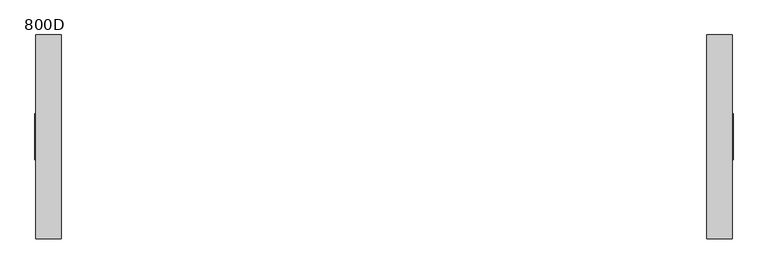
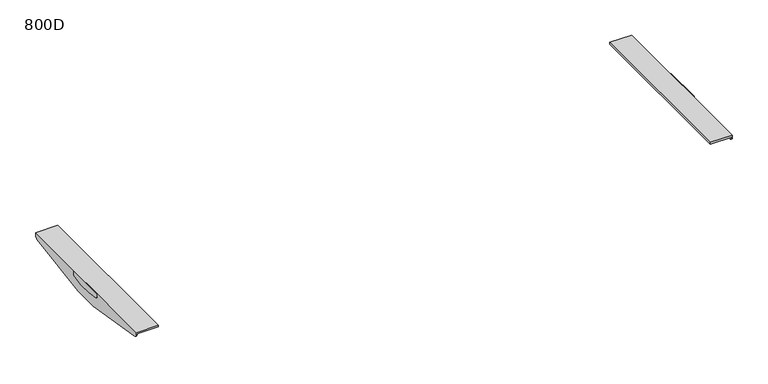
"""IFC4 building model written with IfcOpenShell, lengths in millimetres: furniture geometry, 800D."""

from ifc_helpers import new_model, si_unit, point, frame, frame_2d, origin, place, context, project, spatial, polyline, circle_curve, trimmed, segment, composite_curve, outline, extrude, source, transform, mapped, element, save
from ifc_brep_helpers import plane_surface, cylinder_surface, advanced_brep


def furniture_800d_128cd26d(model_context):
    return source(origin(), model_context, "Body", "SolidModel", [
        advanced_brep(
        [(983.0000006, 287.4963324, 716.0), (983.0000006, 287.4963324, 708.4998128), (980.0000009, 287.4963324, 708.4998128), (980.0000009, 287.4963324, 710.4999723), (910.0000017, 287.4963324, 710.4999723), (910.0000017, 287.4963324, 716.0), (980.0000009, -287.5036993, 710.4999723), (980.0000009, -287.5036993, 708.4997591), (983.0000006, -287.5036993, 708.4997591), (983.0000006, -287.5036993, 716.0), (910.0000017, -287.5036993, 716.0), (910.0000017, -287.5036993, 710.4999723), (980.0000009, 279.1076002, 698.6304207), (980.0000009, 42.4967459, 660.0), (980.0000009, -42.5041219, 660.0), (980.0000009, -279.1150126, 698.6304207), (983.0000006, -279.1150126, 698.6304207), (983.0000006, -42.5041219, 660.0), (983.0000006, 42.4967459, 660.0), (983.0000006, 279.1076002, 698.6304207)],
        [
            (0, 1),
            (1, 2),
            (2, 3),
            (3, 4),
            (4, 5),
            (5, 0),
            (6, 7),
            (7, 8),
            (8, 9),
            (9, 10),
            (10, 11),
            (11, 6),
            (2, 12, circle_curve(frame((980.0000009, 277.4962677, 708.4998128), z_axis=(-1.0, 0.0, 0.0), x_axis=(0.0, -1.0, 0.0)), 10.0000647)),
            (12, 13),
            (13, 14),
            (14, 15),
            (15, 7, circle_curve(frame((980.0000009, -277.503689, 708.4997591), z_axis=(-1.0, 0.0, 0.0), x_axis=(0.0, -1.0, 0.0)), 10.0000103)),
            (6, 3),
            (11, 4),
            (10, 5),
            (9, 0),
            (8, 16, circle_curve(frame((983.0000006, -277.503689, 708.4997591), z_axis=(1.0, 0.0, 0.0), x_axis=(0.0, -1.0, 0.0)), 10.0000103)),
            (16, 17),
            (17, 18),
            (18, 19),
            (19, 1, circle_curve(frame((983.0000006, 277.4962677, 708.4998128), z_axis=(1.0, 0.0, 0.0), x_axis=(0.0, -1.0, 0.0)), 10.0000647)),
            (17, 14),
            (13, 18),
            (16, 15),
            (12, 19),
        ],
        [
            plane_surface(frame((983.0000006, 287.4963324, 660.0), z_axis=(0.0, 1.0, 0.0), x_axis=(1.0, 0.0, 0.0))),
            plane_surface(frame((983.0000006, -287.5036993, 660.0), z_axis=(0.0, -1.0, 0.0), x_axis=(-1.0, 0.0, 0.0))),
            plane_surface(frame((980.0000009, 287.4963324, 710.4999723), z_axis=(-1.0, 0.0, 0.0), x_axis=(0.0, -1.0, 0.0))),
            plane_surface(frame((910.0000017, 287.4963324, 710.4999723), z_axis=(0.0, 0.0, -1.0), x_axis=(0.0, -1.0, 0.0))),
            plane_surface(frame((910.0000017, 287.4963324, 716.0), z_axis=(-1.0, 0.0, 0.0), x_axis=(0.0, -1.0, 0.0))),
            plane_surface(frame((983.0000006, 287.4963324, 716.0), z_axis=(0.0, 0.0, 1.0), x_axis=(0.0, -1.0, 0.0))),
            plane_surface(frame((983.0000006, 287.4963324, 660.0), z_axis=(1.0, 0.0, 0.0), x_axis=(0.0, -1.0, 0.0))),
            plane_surface(frame((980.0000009, 287.4963324, 660.0), z_axis=(0.0, 0.0, -1.0), x_axis=(0.0, -1.0, 0.0))),
            plane_surface(frame((910.0000017, -42.5041219, 660.0), z_axis=(0.0, -0.16113218812194072, -0.9869328335560813), x_axis=(1.0, 0.0, 0.0))),
            cylinder_surface(frame((985.0, -277.503689, 708.4997591), z_axis=(1.0, 0.0, 0.0), x_axis=(0.0, -1.0, 0.0)), 10.0000103),
            plane_surface(frame((910.0000017, 279.1076002, 698.6304207), z_axis=(0.0, 0.16113221222328436, -0.9869328296211605), x_axis=(1.0, 0.0, 0.0))),
            cylinder_surface(frame((1200.0, 277.4962677, 708.4998128), z_axis=(1.0, 0.0, 0.0), x_axis=(0.0, -1.0, 0.0)), 10.0000647),
        ],
        [
            (0, [[1, 2, 3, 4, 5, 6]]),
            (1, [[7, 8, 9, 10, 11, 12]]),
            (2, [[-3, 13, 14, 15, 16, 17, -7, 18]]),
            (3, [[-18, -12, 19, -4]]),
            (4, [[-19, -11, 20, -5]]),
            (5, [[-20, -10, 21, -6]]),
            (6, [[-9, 22, 23, 24, 25, 26, -1, -21]]),
            (7, [[27, -15, 28, -24]]),
            (8, [[-16, -27, -23, 29]]),
            (9, [[-22, -8, -17, -29]]),
            (10, [[-25, -28, -14, 30]]),
            (11, [[-13, -2, -26, -30]]),
        ],
    ),
        extrude(outline(composite_curve([segment(polyline([(64.9962871, 716.0), (64.9962871, 705.7477915)]), True, "CONTINUOUS"), segment(trimmed(circle_curve(frame_2d((59.996269, 705.7477915)), 5.0000181), [point((64.9962871, 705.7477915))], [point((60.8043191, 700.8134996))], False, "CARTESIAN"), True, "CONTINUOUS"), segment(polyline([(60.8043191, 700.8134996), (21.9956935, 694.5405645), (-22.2562903, 694.5405645), (-60.8052275, 700.8531775)]), True, "CONTINUOUS"), segment(trimmed(circle_curve(frame_2d((-60.0513722, 705.7477915)), 4.9523271), [point((-60.8052275, 700.8531775))], [point((-65.0036994, 705.7477915))], False, "CARTESIAN"), True, "CONTINUOUS"), segment(polyline([(-65.0036994, 705.7477915), (-65.0036994, 716.0), (64.9962871, 716.0)]), True, "CONTINUOUS")], self_intersect=False)), frame((983.0000006, 0.0, 0.0), z_axis=(1.0, 0.0, 0.0), x_axis=(0.0, 1.0, 0.0)), (0.0, 0.0, 1.0), 1.9999994),
        advanced_brep(
        [(-980.0000009, 287.4963324, 710.4999723), (-980.0000009, 287.4963324, 708.4998128), (-983.0000006, 287.4963324, 708.4998128), (-983.0000006, 287.4963324, 716.0), (-910.0000017, 287.4963324, 716.0), (-910.0000017, 287.4963324, 710.4999723), (-983.0000006, -287.5036993, 716.0), (-983.0000006, -287.5036993, 708.4997591), (-980.0000009, -287.5036993, 708.4997591), (-980.0000009, -287.5036993, 710.4999723), (-910.0000017, -287.5036993, 710.4999723), (-910.0000017, -287.5036993, 716.0), (-980.0000009, -279.1150126, 698.6304207), (-980.0000009, -42.5041219, 660.0), (-980.0000009, 42.4967459, 660.0), (-980.0000009, 279.1076002, 698.6304207), (-983.0000006, 279.1076002, 698.6304207), (-983.0000006, 42.4967459, 660.0), (-983.0000006, -42.5041219, 660.0), (-983.0000006, -279.1150126, 698.6304207)],
        [
            (0, 1),
            (1, 2),
            (2, 3),
            (3, 4),
            (4, 5),
            (5, 0),
            (6, 7),
            (7, 8),
            (8, 9),
            (9, 10),
            (10, 11),
            (11, 6),
            (8, 12, circle_curve(frame((-980.0000009, -277.503689, 708.4997591), z_axis=(1.0, 0.0, 0.0), x_axis=(0.0, -1.0, 0.0)), 10.0000103)),
            (12, 13),
            (13, 14),
            (14, 15),
            (15, 1, circle_curve(frame((-980.0000009, 277.4962677, 708.4998128), z_axis=(1.0, 0.0, 0.0), x_axis=(0.0, -1.0, 0.0)), 10.0000647)),
            (0, 9),
            (5, 10),
            (4, 11),
            (3, 6),
            (2, 16, circle_curve(frame((-983.0000006, 277.4962677, 708.4998128), z_axis=(-1.0, 0.0, 0.0), x_axis=(0.0, -1.0, 0.0)), 10.0000647)),
            (16, 17),
            (17, 18),
            (18, 19),
            (19, 7, circle_curve(frame((-983.0000006, -277.503689, 708.4997591), z_axis=(-1.0, 0.0, 0.0), x_axis=(0.0, -1.0, 0.0)), 10.0000103)),
            (13, 18),
            (17, 14),
            (12, 19),
            (16, 15),
        ],
        [
            plane_surface(frame((-980.0000009, 287.4963324, 660.0), z_axis=(0.0, 1.0, 0.0), x_axis=(0.0, 0.0, 1.0))),
            plane_surface(frame((-980.0000009, -287.5036993, 660.0), z_axis=(0.0, -1.0, 0.0), x_axis=(0.0, 0.0, -1.0))),
            plane_surface(frame((-980.0000009, 287.4963324, 660.0), z_axis=(1.0, 0.0, 0.0), x_axis=(0.0, -1.0, 0.0))),
            plane_surface(frame((-980.0000009, 287.4963324, 710.4999723), z_axis=(0.0, 0.0, -1.0), x_axis=(0.0, -1.0, 0.0))),
            plane_surface(frame((-910.0000017, 287.4963324, 710.4999723), z_axis=(1.0, 0.0, 0.0), x_axis=(0.0, -1.0, 0.0))),
            plane_surface(frame((-910.0000017, 287.4963324, 716.0), z_axis=(0.0, 0.0, 1.0), x_axis=(0.0, -1.0, 0.0))),
            plane_surface(frame((-983.0000006, 287.4963324, 716.0), z_axis=(-1.0, 0.0, 0.0), x_axis=(0.0, -1.0, 0.0))),
            plane_surface(frame((-983.0000006, 287.4963324, 660.0), z_axis=(0.0, 0.0, -1.0), x_axis=(0.0, -1.0, 0.0))),
            plane_surface(frame((-910.0000017, -279.1150126, 698.6304207), z_axis=(0.0, -0.16113218812194124, -0.9869328335560812), x_axis=(-1.0, 0.0, 0.0))),
            cylinder_surface(frame((-983.0000006, -277.503689, 708.4997591), z_axis=(-1.0, 0.0, 0.0), x_axis=(0.0, -1.0, 0.0)), 10.0000103),
            plane_surface(frame((-910.0000017, 42.4967459, 660.0), z_axis=(0.0, 0.16113221222328436, -0.9869328296211605), x_axis=(-1.0, 0.0, 0.0))),
            cylinder_surface(frame((0.0, 277.4962677, 708.4998128), z_axis=(-1.0, 0.0, 0.0), x_axis=(0.0, -1.0, 0.0)), 10.0000647),
        ],
        [
            (0, [[1, 2, 3, 4, 5, 6]]),
            (1, [[7, 8, 9, 10, 11, 12]]),
            (2, [[-9, 13, 14, 15, 16, 17, -1, 18]]),
            (3, [[19, -10, -18, -6]]),
            (4, [[20, -11, -19, -5]]),
            (5, [[21, -12, -20, -4]]),
            (6, [[-3, 22, 23, 24, 25, 26, -7, -21]]),
            (7, [[27, -24, 28, -15]]),
            (8, [[-25, -27, -14, 29]]),
            (9, [[-13, -8, -26, -29]]),
            (10, [[-16, -28, -23, 30]]),
            (11, [[-22, -2, -17, -30]]),
        ],
    ),
        extrude(outline(composite_curve([segment(polyline([(64.9962871, 716.0), (64.9962871, 705.7477915)]), True, "CONTINUOUS"), segment(trimmed(circle_curve(frame_2d((59.996269, 705.7477915)), 5.0000181), [point((64.9962871, 705.7477915))], [point((60.8043191, 700.8134996))], False, "CARTESIAN"), True, "CONTINUOUS"), segment(polyline([(60.8043191, 700.8134996), (21.9956935, 694.5405645), (-22.2562903, 694.5405645), (-60.8052275, 700.8531775)]), True, "CONTINUOUS"), segment(trimmed(circle_curve(frame_2d((-60.0513722, 705.7477915)), 4.9523271), [point((-60.8052275, 700.8531775))], [point((-65.0036994, 705.7477915))], False, "CARTESIAN"), True, "CONTINUOUS"), segment(polyline([(-65.0036994, 705.7477915), (-65.0036994, 716.0), (64.9962871, 716.0)]), True, "CONTINUOUS")], self_intersect=False)), frame((-985.0, 0.0, 0.0), z_axis=(1.0, 0.0, 0.0), x_axis=(0.0, 1.0, 0.0)), (0.0, 0.0, 1.0), 1.9999994),
    ])


if __name__ == "__main__":
    model = new_model("IFC4")
    model_context = context("Model", 3, world=origin())
    ifc_project = project(units=[si_unit("LENGTHUNIT", "METRE", prefix="MILLI")], contexts=[model_context])
    site = spatial("IfcSite", under=ifc_project)
    building = spatial("IfcBuilding", under=site)
    placement = place(None, origin())
    furniture_800d_shape = furniture_800d_128cd26d(model_context)
    element("IfcFurniture", 1, ObjectType="800D", at=placement, inside=building, context=model_context, shape_type="MappedRepresentation", body=[
        mapped(furniture_800d_shape, transform((0.0, 0.0, 0.0), x_axis=(1.0, 0.0, 0.0), y_axis=(0.0, 1.0, 0.0), z_axis=(0.0, 0.0, 1.0))),
    ])
    save(model, "model.ifc")
